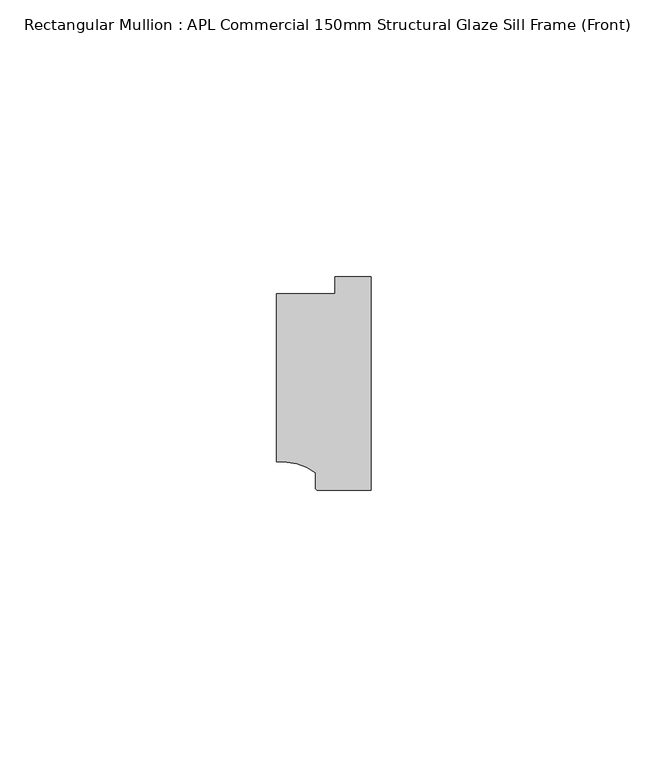
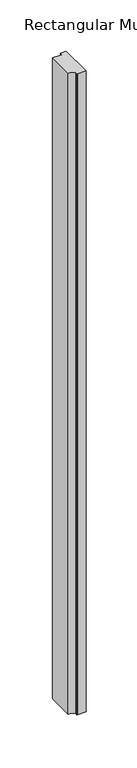
"""IFC4 building model written with IfcOpenShell, lengths in millimetres: member geometry, Rectangular Mullion : APL Commercial 150mm Structural Glaze Sill Frame (Front)."""

from ifc_helpers import new_model, si_unit, point, frame, frame_2d, origin, place, context, project, spatial, polyline, circle_curve, trimmed, segment, composite_curve, outline, extrude, source, transform, mapped, element, save


def rectangular_mullion_apl_commercial_150mm_structural_glaze_61fc3a20(model_context):
    return source(origin(), model_context, "Body", "SweptSolid", [
        extrude(outline(composite_curve([segment(polyline([(-16.999942, -15.3793144), (-16.999942, 15.0004332), (-6.5000029, 15.0004332), (-6.5000029, 18.0281616), (0.0, 18.0281616), (0.0, -20.49978), (-9.5000029, -20.49978)]), True, "CONTINUOUS"), segment(trimmed(circle_curve(frame_2d((-9.5000029, -19.99978)), 0.5), [point((-9.5000029, -20.49978))], [point((-10.0, -19.9980675))], False, "CARTESIAN"), True, "CONTINUOUS"), segment(polyline([(-10.0, -19.9980675), (-10.0, -17.3120901)]), True, "CONTINUOUS"), segment(trimmed(circle_curve(frame_2d((-16.1098048, -25.7977481)), 10.4563907), [point((-10.0, -17.3120901))], [point((-16.999942, -15.3793144))], True, "CARTESIAN"), True, "CONTINUOUS")], self_intersect=False)), frame((0.0, 0.0, -764.0501522), z_axis=(0.0, 0.0, 1.0), x_axis=(1.0, 0.0, 0.0)), (0.0, 0.0, 1.0), 764.0501522),
    ])


if __name__ == "__main__":
    model = new_model("IFC4")
    model_context = context("Model", 3, world=origin())
    ifc_project = project(units=[si_unit("LENGTHUNIT", "METRE", prefix="MILLI")], contexts=[model_context])
    site = spatial("IfcSite", under=ifc_project)
    building = spatial("IfcBuilding", under=site)
    placement = place(None, origin())
    rectangular_mullion_apl_commercial_150mm_structural_glaze_shape = rectangular_mullion_apl_commercial_150mm_structural_glaze_61fc3a20(model_context)
    element("IfcMember", 1, ObjectType="Rectangular Mullion : APL Commercial 150mm Structural Glaze Sill Frame (Front)", at=placement, inside=building, context=model_context, shape_type="MappedRepresentation", body=[
        mapped(rectangular_mullion_apl_commercial_150mm_structural_glaze_shape, transform((0.0, 0.0, 0.0), x_axis=(1.0, 0.0, 0.0), y_axis=(0.0, 1.0, 0.0), z_axis=(0.0, 0.0, 1.0))),
    ])
    save(model, "model.ifc")
